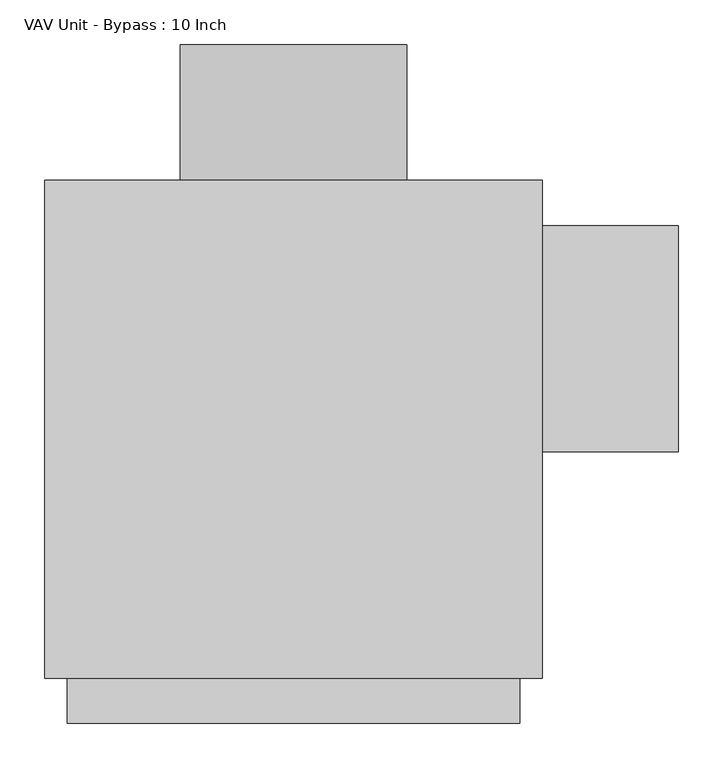
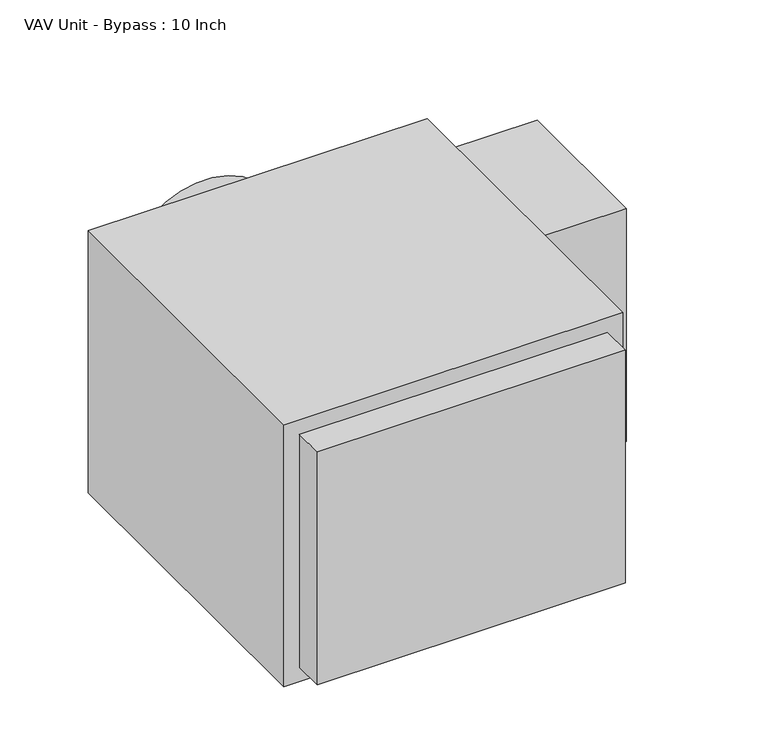
"""IFC4 building model written with IfcOpenShell, lengths in millimetres: proxy geometry, VAV Unit - Bypass : 10 Inch."""

from ifc_helpers import new_model, si_unit, point, frame, origin, origin_2d, place, context, project, spatial, polyline, circle_curve, trimmed, segment, composite_curve, outline, extrude, source, transform, mapped, element, save


def vav_unit_bypass_10_inch_df6e8142(model_context):
    return source(origin(), model_context, "Body", "SweptSolid", [
        extrude(outline(polyline([(431.8, 228.6), (431.8, -25.4), (279.4, -25.4), (279.4, 228.6), (431.8, 228.6)])), frame((0.0, 0.0, -203.2), z_axis=(0.0, 0.0, 1.0), x_axis=(1.0, 0.0, 0.0)), (0.0, 0.0, 1.0), 406.4),
        extrude(outline(composite_curve([segment(trimmed(circle_curve(origin_2d(), 127.0), [point((0.0, -127.0))], [point((0.0, 127.0))], False, "CARTESIAN"), True, "CONTINUOUS"), segment(trimmed(circle_curve(origin_2d(), 127.0), [point((0.0, 127.0))], [point((0.0, -127.0))], False, "CARTESIAN"), True, "CONTINUOUS")], self_intersect=False)), frame((0.0, 279.4, 0.0), z_axis=(0.0, 1.0, 0.0), x_axis=(0.0, 0.0, 1.0)), (0.0, 0.0, 1.0), 152.4),
        extrude(outline(polyline([(254.0, -330.2), (-254.0, -330.2), (-254.0, -279.4), (254.0, -279.4), (254.0, -330.2)])), frame((0.0, 0.0, -203.2), z_axis=(0.0, 0.0, 1.0), x_axis=(1.0, 0.0, 0.0)), (0.0, 0.0, 1.0), 406.4),
        extrude(outline(polyline([(279.4, -279.4), (-279.4, -279.4), (-279.4, 279.4), (279.4, 279.4), (279.4, -279.4)])), frame((0.0, 0.0, -228.6), z_axis=(0.0, 0.0, 1.0), x_axis=(1.0, 0.0, 0.0)), (0.0, 0.0, 1.0), 457.2),
    ])


if __name__ == "__main__":
    model = new_model("IFC4")
    model_context = context("Model", 3, world=origin())
    ifc_project = project(units=[si_unit("LENGTHUNIT", "METRE", prefix="MILLI")], contexts=[model_context])
    site = spatial("IfcSite", under=ifc_project)
    building = spatial("IfcBuilding", under=site)
    placement = place(None, origin())
    vav_unit_bypass_10_inch_shape = vav_unit_bypass_10_inch_df6e8142(model_context)
    element("IfcBuildingElementProxy", 1, Name="VAV Unit - Bypass : 10 Inch", ObjectType="VAV Unit - Bypass : 10 Inch", at=placement, inside=building, context=model_context, shape_type="MappedRepresentation", body=[
        mapped(vav_unit_bypass_10_inch_shape, transform((0.0, 0.0, 0.0), x_axis=(1.0, 0.0, 0.0), y_axis=(0.0, 1.0, 0.0), z_axis=(0.0, 0.0, 1.0))),
    ])
    save(model, "model.ifc")
